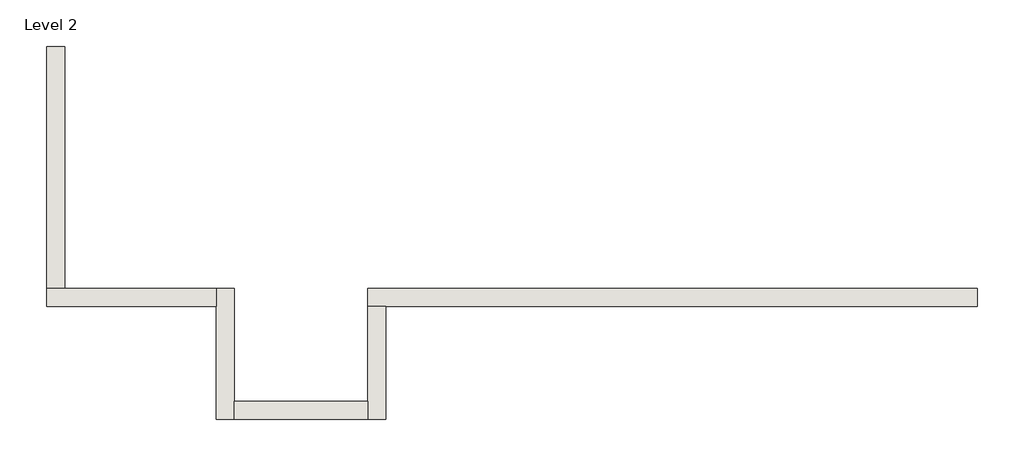
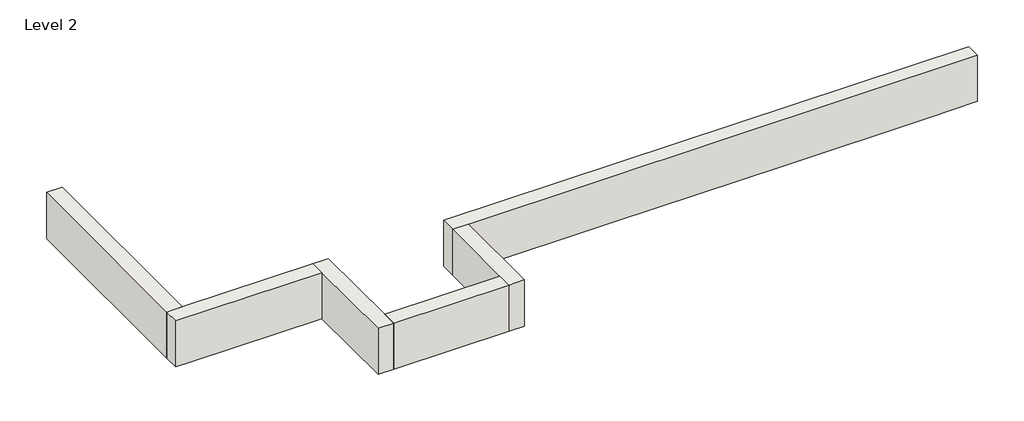
# One storey: 6 walls.
"""IFC4 building model written with IfcOpenShell, lengths in millimetres."""

from ifc_helpers import new_model, si_unit, frame, origin, place, context, project, spatial, polyline, outline, extrude, faceted_brep, element, save

model = new_model("IFC4")

# Units and contexts
model_context = context("Model", 3, world=origin())
ifc_project = project(units=[si_unit("LENGTHUNIT", "METRE", prefix="MILLI")], contexts=[model_context])

# Site, building, storey
site = spatial("IfcSite", under=ifc_project)
building = spatial("IfcBuilding", under=site)
storey = spatial("IfcBuildingStorey", under=building, Name="Level 2", Elevation=3048.0)

# Walls
placement = place(None, origin())
element("IfcWall", 1, ObjectType="Generic - 8\" Brick", at=placement, inside=storey, context=model_context, shape_type="Brep", body=[
    faceted_brep([(8204.157857, 1412.8726187, 3048.0), (7594.557857, 1412.8726187, 3048.0), (5765.757857, 1412.8726187, 3048.0), (3657.557857, 1412.8726187, 3048.0), (1635.0852383, 1412.8726187, 3048.0), (1635.0852383, 1412.8726187, 3657.6), (8204.157857, 1412.8726187, 3657.6), (8204.157857, 1219.1976187, 3048.0), (8204.157857, 1219.1976187, 3657.6), (1828.7602383, 1219.1976187, 3657.6), (1635.0852383, 1219.1976187, 3657.6), (1635.0852383, 1219.1976187, 3048.0), (1828.7602383, 1219.1976187, 3048.0), (3657.557857, 1219.1976187, 3048.0), (5765.757857, 1219.1976187, 3048.0), (7594.557857, 1219.1976187, 3048.0)], [[[0, 1, 2, 3, 4, 5, 6]], [[7, 8, 9, 10, 11, 12, 13, 14, 15]], [[4, 3, 2, 1, 0, 7, 15, 14, 13, 12, 11]], [[6, 5, 10, 9, 8]], [[0, 6, 8, 7]], [[5, 4, 11, 10]]]),
])
element("IfcWall", 2, ObjectType="Generic - 8\" Brick", at=placement, inside=storey, context=model_context, shape_type="Brep", body=[
    faceted_brep([(1635.0852383, 1219.1976187, 3048.0), (1635.0852383, 193.675, 3048.0), (1635.0852383, 0.0, 3048.0), (1635.0852383, 0.0, 3657.6), (1635.0852383, 193.675, 3657.6), (1635.0852383, 1219.1976187, 3657.6), (1828.7602383, 1219.1976187, 3048.0), (1828.7602383, 1219.1976187, 3657.6), (1828.7602383, 0.0, 3657.6), (1828.7602383, 0.0, 3048.0)], [[[0, 1, 2, 3, 4, 5]], [[6, 7, 8, 9]], [[2, 1, 0, 6, 9]], [[5, 4, 3, 8, 7]], [[0, 5, 7, 6]], [[3, 2, 9, 8]]]),
])
element("IfcWall", 3, ObjectType="Generic - 8\" Brick", at=placement, inside=storey, context=model_context, shape_type="SweptSolid", body=[
    extrude(outline(polyline([(193.632857, 193.675), (1635.0852383, 193.675), (1635.0852383, 0.0), (193.632857, 0.0), (193.632857, 193.675)])), frame((0.0, 0.0, 3048.0), z_axis=(0.0, 0.0, 1.0), x_axis=(1.0, 0.0, 0.0)), (0.0, 0.0, 1.0), 609.6),
])
element("IfcWall", 4, ObjectType="Generic - 8\" Brick", at=placement, inside=storey, context=model_context, shape_type="Brep", body=[
    faceted_brep([(193.632857, 0.0, 3048.0), (193.632857, 193.675, 3048.0), (193.632857, 1412.8726187, 3048.0), (193.632857, 1412.8726187, 3657.6), (193.632857, 193.675, 3657.6), (193.632857, 0.0, 3657.6), (-0.042143, 0.0, 3048.0), (-0.042143, 0.0, 3657.6), (-0.042143, 1219.1976187, 3657.6), (-0.042143, 1412.8726187, 3657.6), (-0.042143, 1412.8726187, 3048.0), (-0.042143, 1219.1976187, 3048.0)], [[[0, 1, 2, 3, 4, 5]], [[6, 7, 8, 9, 10, 11]], [[2, 1, 0, 6, 11, 10]], [[5, 4, 3, 9, 8, 7]], [[0, 5, 7, 6]], [[3, 2, 10, 9]]]),
])
element("IfcWall", 5, ObjectType="Generic - 8\" Brick", at=placement, inside=storey, context=model_context, shape_type="Brep", body=[
    faceted_brep([(-0.042143, 1412.8726187, 3048.0), (-1635.135393, 1412.8726187, 3048.0), (-1828.810393, 1412.8726187, 3048.0), (-1828.810393, 1412.8726187, 3657.6), (-1635.135393, 1412.8726187, 3657.6), (-0.042143, 1412.8726187, 3657.6), (-0.042143, 1219.1976187, 3048.0), (-0.042143, 1219.1976187, 3657.6), (-1828.810393, 1219.1976187, 3657.6), (-1828.810393, 1219.1976187, 3048.0), (-1635.135393, 1219.1976187, 3048.0)], [[[0, 1, 2, 3, 4, 5]], [[6, 7, 8, 9, 10]], [[2, 1, 0, 6, 10, 9]], [[5, 4, 3, 8, 7]], [[0, 5, 7, 6]], [[3, 2, 9, 8]]]),
])
element("IfcWall", 6, ObjectType="Generic - 8\" Brick", at=placement, inside=storey, context=model_context, shape_type="SweptSolid", body=[
    extrude(outline(polyline([(-1635.135393, 4021.038226), (-1635.135393, 1412.8726187), (-1828.810393, 1412.8726187), (-1828.810393, 4021.038226), (-1635.135393, 4021.038226)])), frame((0.0, 0.0, 3048.0), z_axis=(0.0, 0.0, 1.0), x_axis=(1.0, 0.0, 0.0)), (0.0, 0.0, 1.0), 609.6),
])

save(model, "model.ifc")
